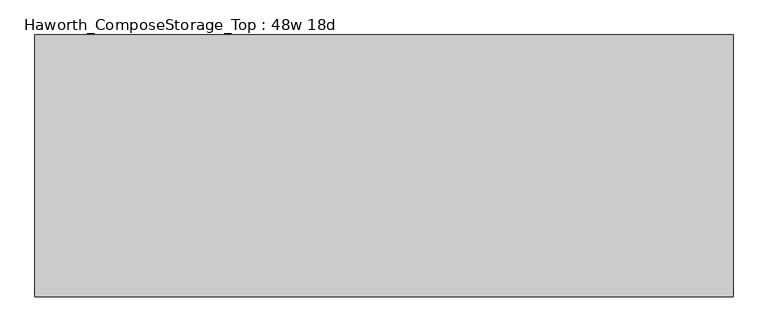
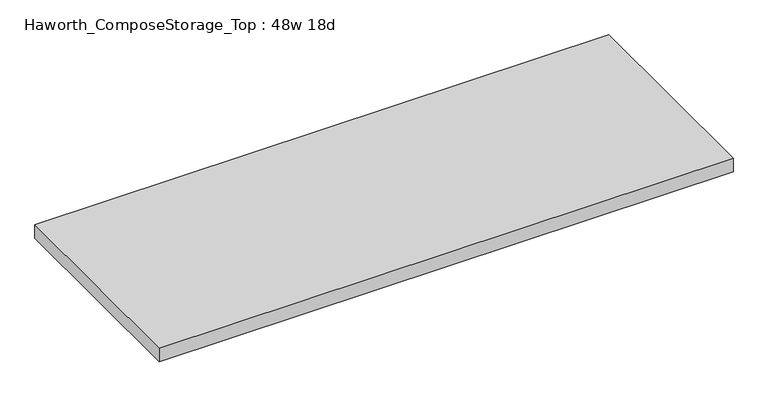
"""IFC4 building model written with IfcOpenShell, lengths in millimetres: furniture geometry, Haworth_ComposeStorage_Top : 48w 18d."""

from ifc_helpers import new_model, si_unit, frame, origin, place, context, project, spatial, polyline, outline, extrude, source, transform, mapped, element, save


def haworth_composestorage_top_48w_18d_5bcb1045(model_context):
    return source(origin(), model_context, "Body", "SweptSolid", [
        extrude(outline(polyline([(609.6, 228.6), (609.6, -228.6), (-609.6, -228.6), (-609.6, 228.6), (609.6, 228.6)])), frame((0.0, 0.0, 706.4375), z_axis=(0.0, 0.0, 1.0), x_axis=(1.0, 0.0, 0.0)), (0.0, 0.0, 1.0), 30.1625),
    ])


if __name__ == "__main__":
    model = new_model("IFC4")
    model_context = context("Model", 3, world=origin())
    ifc_project = project(units=[si_unit("LENGTHUNIT", "METRE", prefix="MILLI")], contexts=[model_context])
    site = spatial("IfcSite", under=ifc_project)
    building = spatial("IfcBuilding", under=site)
    placement = place(None, origin())
    haworth_composestorage_top_48w_18d_shape = haworth_composestorage_top_48w_18d_5bcb1045(model_context)
    element("IfcFurniture", 1, ObjectType="Haworth_ComposeStorage_Top : 48w 18d", at=placement, inside=building, context=model_context, shape_type="MappedRepresentation", body=[
        mapped(haworth_composestorage_top_48w_18d_shape, transform((0.0, 0.0, 0.0), x_axis=(1.0, 0.0, 0.0), y_axis=(0.0, 1.0, 0.0), z_axis=(0.0, 0.0, 1.0))),
    ])
    save(model, "model.ifc")
